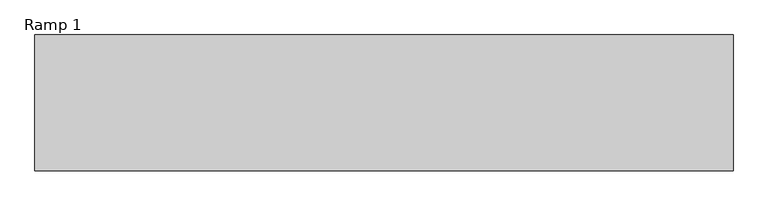
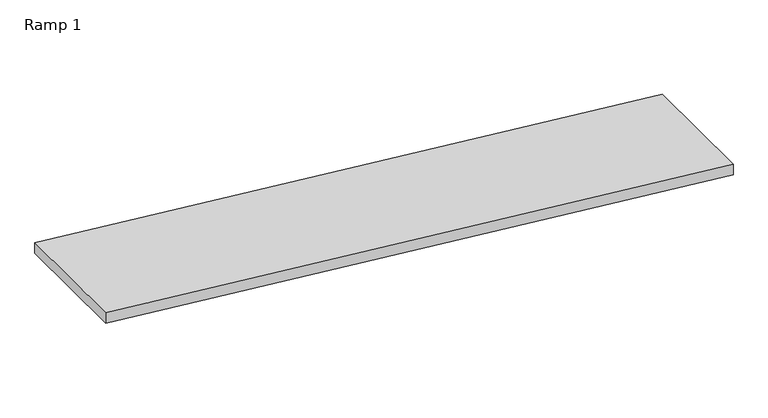
"""IFC4 building model written with IfcOpenShell, lengths in millimetres: ramp geometry, Ramp 1."""

from ifc_helpers import new_model, si_unit, frame, origin, place, context, project, spatial, polyline, outline, extrude, source, transform, mapped, element, save


def ramp_1_965f2342(model_context):
    return source(origin(), model_context, "Body", "SweptSolid", [
        extrude(outline(polyline([(0.0, -307210.1057122), (850.0, -315710.1057122), (699.2518657, -315710.1057122), (-150.7481343, -307210.1057122), (0.0, -307210.1057122)])), frame((0.0, -95173.1605573, 0.0), z_axis=(0.0, 1.0, 0.0), x_axis=(0.0, 0.0, 1.0)), (0.0, 0.0, 1.0), 1656.3016123),
    ])


if __name__ == "__main__":
    model = new_model("IFC4")
    model_context = context("Model", 3, world=origin())
    ifc_project = project(units=[si_unit("LENGTHUNIT", "METRE", prefix="MILLI")], contexts=[model_context])
    site = spatial("IfcSite", under=ifc_project)
    building = spatial("IfcBuilding", under=site)
    placement = place(None, origin())
    ramp_1_shape = ramp_1_965f2342(model_context)
    element("IfcRamp", 1, ObjectType="Ramp 1", at=placement, inside=building, context=model_context, shape_type="MappedRepresentation", body=[
        mapped(ramp_1_shape, transform((0.0, 0.0, 0.0), x_axis=(1.0, 0.0, 0.0), y_axis=(0.0, 1.0, 0.0), z_axis=(0.0, 0.0, 1.0))),
    ])
    save(model, "model.ifc")
